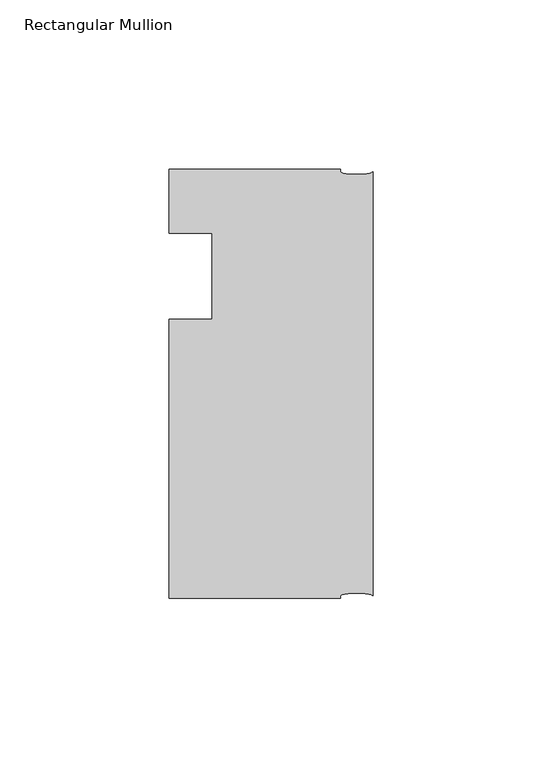
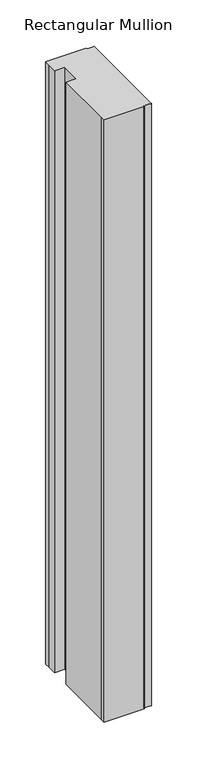
"""IFC4 building model written with IfcOpenShell, lengths in millimetres: member geometry, Rectangular Mullion."""

from ifc_helpers import new_model, si_unit, point, frame, origin, place, context, project, spatial, ellipse_curve, trimmed, source, transform, mapped, element, save
from ifc_brep_helpers import plane_surface, extruded_surface, advanced_brep


def rectangular_mullion_9a2a46e5(model_context):
    return source(origin(), model_context, "Body", "AdvancedBrep", [
        advanced_brep(
        [(-60.325, -107.95, 0.0), (-9.525, -107.95, 0.0), (-9.525, -107.15625, 0.0), (0.0, -107.15625, 0.0), (0.0, 18.25625, 0.0), (-9.525, 18.25625, 0.0), (-9.525, 19.05, 0.0), (-60.325, 19.05, 0.0), (-60.325, 12.7, 0.0), (-60.325, 0.0, 0.0), (-47.6232296, 0.0, 0.0), (-47.6232296, -25.4, 0.0), (-60.325, -25.4, 0.0), (-60.325, -101.6, 0.0), (-60.325, -107.95, -800.1), (-60.325, -101.6, -800.1), (-60.325, -25.4, -800.1), (-47.6232296, -25.4, -800.1), (-47.6232296, 0.0, -800.1), (-60.325, 0.0, -800.1), (-60.325, 12.7, -800.1), (-60.325, 19.05, -800.1), (-9.525, 19.05, -800.1), (-9.525, 18.25625, -800.1), (0.0, 18.25625, -800.1), (0.0, -107.15625, -800.1), (-9.525, -107.15625, -800.1), (-9.525, -107.95, -800.1)],
        [
            (0, 1),
            (1, 2),
            (2, 3, ellipse_curve(frame((-4.7625, -107.15625, 0.0), z_axis=(0.0, 0.0, -1.0), x_axis=(-1.0, 0.0, 0.0)), 4.7625, 0.79375)),
            (3, 4),
            (4, 5, ellipse_curve(frame((-4.7625, 18.25625, 0.0), z_axis=(0.0, 0.0, -1.0), x_axis=(-1.0, 0.0, 0.0)), 4.7625, 0.79375)),
            (5, 6),
            (6, 7),
            (7, 8),
            (8, 9),
            (9, 10),
            (10, 11),
            (11, 12),
            (12, 13),
            (13, 0),
            (14, 15),
            (15, 16),
            (16, 17),
            (17, 18),
            (18, 19),
            (19, 20),
            (20, 21),
            (21, 22),
            (22, 23),
            (23, 24, ellipse_curve(frame((-4.7625, 18.25625, -800.1), z_axis=(0.0, 0.0, 1.0), x_axis=(-1.0, 0.0, 0.0)), 4.7625, 0.79375)),
            (24, 25),
            (25, 26, ellipse_curve(frame((-4.7625, -107.15625, -800.1), z_axis=(0.0, 0.0, 1.0), x_axis=(-1.0, 0.0, 0.0)), 4.7625, 0.79375)),
            (26, 27),
            (27, 14),
            (0, 14),
            (27, 1),
            (26, 2),
            (25, 3),
            (24, 4),
            (23, 5),
            (22, 6),
            (21, 7),
            (20, 8),
            (19, 9),
            (18, 10),
            (17, 11),
            (16, 12),
            (15, 13),
        ],
        [
            plane_surface(frame((0.0, -123.6620723, 0.0), z_axis=(0.0, 0.0, 1.0), x_axis=(-1.0, 0.0, 0.0))),
            plane_surface(frame((0.0, -123.6620723, -800.1), z_axis=(0.0, 0.0, -1.0), x_axis=(-1.0, 0.0, 0.0))),
            plane_surface(frame((-60.325, -107.95, 0.0), z_axis=(0.0, -1.0, 0.0), x_axis=(0.0, 0.0, -1.0))),
            plane_surface(frame((-9.525, -107.95, 0.0), z_axis=(1.0, 0.0, 0.0), x_axis=(0.0, 0.0, -1.0))),
            extruded_surface(trimmed(ellipse_curve(frame((-4.7625, -107.15625, -800.1), z_axis=(0.0, 0.0, -1.0), x_axis=(-1.0, 0.0, 0.0)), 4.7625, 0.79375), [point((-9.525, -107.15625, -800.1))], [point((0.0, -107.15625, -800.1))], True, "CARTESIAN"), (0.0, 0.0, 800.1), 800.1),
            plane_surface(frame((0.0, -107.15625, 0.0), z_axis=(1.0, 0.0, 0.0), x_axis=(0.0, 0.0, -1.0))),
            extruded_surface(trimmed(ellipse_curve(frame((-4.7625, 18.25625, -800.1), z_axis=(0.0, 0.0, -1.0), x_axis=(-1.0, 0.0, 0.0)), 4.7625, 0.79375), [point((0.0, 18.25625, -800.1))], [point((-9.525, 18.25625, -800.1))], True, "CARTESIAN"), (0.0, 0.0, 800.1), 800.1),
            plane_surface(frame((-9.525, 18.25625, 0.0), z_axis=(1.0, 0.0, 0.0), x_axis=(0.0, 0.0, -1.0))),
            plane_surface(frame((-9.525, 19.05, 0.0), z_axis=(0.0, 1.0, 0.0), x_axis=(0.0, 0.0, -1.0))),
            plane_surface(frame((-60.325, 19.05, 0.0), z_axis=(-1.0, 0.0, 0.0), x_axis=(0.0, 0.0, -1.0))),
            plane_surface(frame((-60.325, 12.7, 0.0), z_axis=(-1.0, 0.0, 0.0), x_axis=(0.0, 0.0, -1.0))),
            plane_surface(frame((-60.325, 0.0, 0.0), z_axis=(0.0, -1.0, 0.0), x_axis=(0.0, 0.0, -1.0))),
            plane_surface(frame((-47.6232296, 0.0, 0.0), z_axis=(-1.0, 0.0, 0.0), x_axis=(0.0, 0.0, -1.0))),
            plane_surface(frame((-47.6232296, -25.4, 0.0), z_axis=(0.0, 1.0, 0.0), x_axis=(0.0, 0.0, -1.0))),
            plane_surface(frame((-60.325, -25.4, 0.0), z_axis=(-1.0, 0.0, 0.0), x_axis=(0.0, 0.0, -1.0))),
            plane_surface(frame((-60.325, -101.6, 0.0), z_axis=(-1.0, 0.0, 0.0), x_axis=(0.0, 0.0, -1.0))),
        ],
        [
            (0, [[1, 2, 3, 4, 5, 6, 7, 8, 9, 10, 11, 12, 13, 14]]),
            (1, [[15, 16, 17, 18, 19, 20, 21, 22, 23, 24, 25, 26, 27, 28]]),
            (2, [[-1, 29, -28, 30]]),
            (3, [[-2, -30, -27, 31]]),
            (4, [[-3, -31, -26, 32]]),
            (5, [[-4, -32, -25, 33]]),
            (6, [[-5, -33, -24, 34]]),
            (7, [[-6, -34, -23, 35]]),
            (8, [[-7, -35, -22, 36]]),
            (9, [[-8, -36, -21, 37]]),
            (10, [[-9, -37, -20, 38]]),
            (11, [[-10, -38, -19, 39]]),
            (12, [[-11, -39, -18, 40]]),
            (13, [[-12, -40, -17, 41]]),
            (14, [[-13, -41, -16, 42]]),
            (15, [[-14, -42, -15, -29]]),
        ],
    ),
    ])


if __name__ == "__main__":
    model = new_model("IFC4")
    model_context = context("Model", 3, world=origin())
    ifc_project = project(units=[si_unit("LENGTHUNIT", "METRE", prefix="MILLI")], contexts=[model_context])
    site = spatial("IfcSite", under=ifc_project)
    building = spatial("IfcBuilding", under=site)
    placement = place(None, origin())
    rectangular_mullion_shape = rectangular_mullion_9a2a46e5(model_context)
    element("IfcMember", 1, ObjectType="Rectangular Mullion", at=placement, inside=building, context=model_context, shape_type="MappedRepresentation", body=[
        mapped(rectangular_mullion_shape, transform((0.0, 0.0, 0.0), x_axis=(1.0, 0.0, 0.0), y_axis=(0.0, 1.0, 0.0), z_axis=(0.0, 0.0, 1.0))),
    ])
    save(model, "model.ifc")
